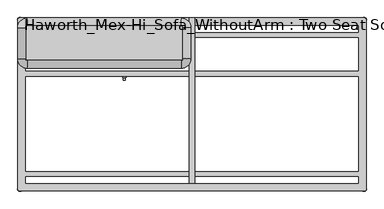
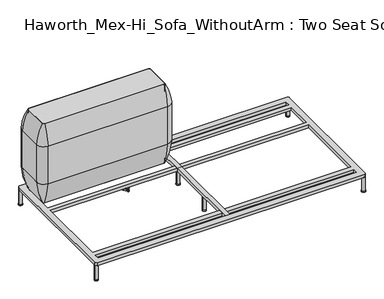
"""IFC4 building model written with IfcOpenShell, lengths in millimetres: furniture geometry, Haworth_Mex-Hi_Sofa_WithoutArm : Two Seat Sofa."""

from ifc_helpers import new_model, si_unit, point, frame, frame_2d, origin, origin_with_axes, place, context, project, spatial, polyline, circle_curve, ellipse_curve, trimmed, segment, composite_curve, outline, extrude, source, transform, mapped, element, save
from ifc_brep_helpers import plane_surface, cylinder_surface, revolved_surface, advanced_brep


def haworth_mex_hi_sofa_withoutarm_two_seat_sofa_6135bf9b(model_context):
    return source(origin(), model_context, "Body", "SolidModel", [
        advanced_brep(
        [(-519.7611937, -130.2721038, 98.611642), (-523.9837819, -137.585841, 98.611642), (-523.585833, -138.7518724, 98.611642), (-507.7665623, -166.1516574, 98.611642), (-506.9557288, -167.0792988, 98.611642), (-498.5105502, -167.0792988, 98.611642), (-497.706022, -165.9895174, 98.611642), (-481.6037689, -138.4877144, 98.611642), (-481.4824919, -137.5858427, 98.611642), (-485.7050818, -130.2721023, 98.611642), (-486.9138653, -130.0337175, 98.611642), (-518.5524137, -130.0337175, 98.611642), (-493.360263, -145.1926245, 98.611642), (-512.2652749, -145.1926245, 98.611642), (-519.7611937, -130.2721038, 88.6531552), (-518.5524137, -130.0337175, 88.6531552), (-486.9138653, -130.0337175, 88.6531552), (-485.7050818, -130.2721023, 88.6531552), (-481.4824919, -137.5858427, 88.6531552), (-481.6037689, -138.4877144, 88.6531552), (-497.706022, -165.9895174, 88.6531552), (-498.5105502, -167.0792988, 88.6531552), (-506.9557288, -167.0792988, 88.6531552), (-507.7665623, -166.1516574, 88.6531552), (-523.585833, -138.7518724, 88.6531552), (-523.9837819, -137.585841, 88.6531552), (-512.2652749, -145.1926245, 103.6569541), (-493.360263, -145.1926245, 103.6569541)],
        [
            (0, 1, circle_curve(frame((-501.5017056, -145.690049, 98.611642), z_axis=(0.0, 0.0, 1.0), x_axis=(1.0, 0.0, 0.0)), 23.8981576)),
            (1, 2, circle_curve(frame((-523.0562233, -137.920202, 98.611642), z_axis=(0.0, 0.0, 1.0), x_axis=(1.0, 0.0, 0.0)), 0.9859828)),
            (2, 3, circle_curve(frame((-541.981203, -167.6389644, 98.611642), z_axis=(0.0, 0.0, -1.0), x_axis=(1.0, 0.0, 0.0)), 34.246952)),
            (3, 4, circle_curve(frame((-506.7815189, -166.1088376, 98.611642), z_axis=(0.0, 0.0, 1.0), x_axis=(1.0, 0.0, 0.0)), 0.9859736)),
            (4, 5, circle_curve(frame((-502.7331395, -143.5567534, 98.611642), z_axis=(0.0, 0.0, 1.0), x_axis=(1.0, 0.0, 0.0)), 23.8985439)),
            (5, 6, circle_curve(frame((-498.6847621, -166.1088262, 98.611642), z_axis=(0.0, 0.0, 1.0), x_axis=(1.0, 0.0, 0.0)), 0.9859852)),
            (6, 7, circle_curve(frame((-463.4843483, -167.5614211, 98.611642), z_axis=(0.0, 0.0, -1.0), x_axis=(1.0, 0.0, 0.0)), 34.2577557)),
            (7, 8, circle_curve(frame((-482.4100533, -137.9202011, 98.611642), z_axis=(0.0, 0.0, 1.0), x_axis=(1.0, 0.0, 0.0)), 0.9859847)),
            (8, 9, circle_curve(frame((-503.9641822, -145.6898258, 98.611642), z_axis=(0.0, 0.0, 1.0), x_axis=(1.0, 0.0, 0.0)), 23.8977184)),
            (9, 10, circle_curve(frame((-486.4584281, -130.9082171, 98.611642), z_axis=(0.0, 0.0, 1.0), x_axis=(1.0, 0.0, 0.0)), 0.9859881)),
            (10, 11, circle_curve(frame((-502.7331395, -99.6586209, 98.611642), z_axis=(0.0, 0.0, -1.0), x_axis=(1.0, 0.0, 0.0)), 34.2475683)),
            (11, 0, circle_curve(frame((-519.0078488, -130.9082131, 98.611642), z_axis=(0.0, 0.0, 1.0), x_axis=(1.0, 0.0, 0.0)), 0.9859835)),
            (12, 13, circle_curve(frame((-502.8127689, -145.1926245, 98.611642), z_axis=(0.0, 0.0, -1.0), x_axis=(1.0, 0.0, 0.0)), 9.452506)),
            (13, 12, circle_curve(frame((-502.8127689, -145.1926245, 98.611642), z_axis=(0.0, 0.0, -1.0), x_axis=(1.0, 0.0, 0.0)), 9.452506)),
            (14, 15, circle_curve(frame((-519.0078488, -130.9082131, 88.6531552), z_axis=(0.0, 0.0, -1.0), x_axis=(1.0, 0.0, 0.0)), 0.9859835)),
            (15, 16, circle_curve(frame((-502.7331395, -99.6586209, 88.6531552), z_axis=(0.0, 0.0, 1.0), x_axis=(1.0, 0.0, 0.0)), 34.2475683)),
            (16, 17, circle_curve(frame((-486.4584281, -130.9082171, 88.6531552), z_axis=(0.0, 0.0, -1.0), x_axis=(1.0, 0.0, 0.0)), 0.9859881)),
            (17, 18, circle_curve(frame((-503.9641822, -145.6898258, 88.6531552), z_axis=(0.0, 0.0, -1.0), x_axis=(1.0, 0.0, 0.0)), 23.8977184)),
            (18, 19, circle_curve(frame((-482.4100533, -137.9202011, 88.6531552), z_axis=(0.0, 0.0, -1.0), x_axis=(1.0, 0.0, 0.0)), 0.9859847)),
            (19, 20, circle_curve(frame((-463.4843483, -167.5614211, 88.6531552), z_axis=(0.0, 0.0, 1.0), x_axis=(1.0, 0.0, 0.0)), 34.2577557)),
            (20, 21, circle_curve(frame((-498.6847621, -166.1088262, 88.6531552), z_axis=(0.0, 0.0, -1.0), x_axis=(1.0, 0.0, 0.0)), 0.9859852)),
            (21, 22, circle_curve(frame((-502.7331395, -143.5567534, 88.6531552), z_axis=(0.0, 0.0, -1.0), x_axis=(1.0, 0.0, 0.0)), 23.8985439)),
            (22, 23, circle_curve(frame((-506.7815189, -166.1088376, 88.6531552), z_axis=(0.0, 0.0, -1.0), x_axis=(1.0, 0.0, 0.0)), 0.9859736)),
            (23, 24, circle_curve(frame((-541.981203, -167.6389644, 88.6531552), z_axis=(0.0, 0.0, 1.0), x_axis=(1.0, 0.0, 0.0)), 34.246952)),
            (24, 25, circle_curve(frame((-523.0562233, -137.920202, 88.6531552), z_axis=(0.0, 0.0, -1.0), x_axis=(1.0, 0.0, 0.0)), 0.9859828)),
            (25, 14, circle_curve(frame((-501.5017056, -145.690049, 88.6531552), z_axis=(0.0, 0.0, -1.0), x_axis=(1.0, 0.0, 0.0)), 23.8981576)),
            (26, 27, circle_curve(frame((-502.8127689, -145.1926245, 103.6569541), z_axis=(0.0, 0.0, 1.0), x_axis=(1.0, 0.0, 0.0)), 9.452506)),
            (27, 26, circle_curve(frame((-502.8127689, -145.1926245, 103.6569541), z_axis=(0.0, 0.0, 1.0), x_axis=(1.0, 0.0, 0.0)), 9.452506)),
            (0, 14),
            (25, 1),
            (24, 2),
            (23, 3),
            (22, 4),
            (21, 5),
            (20, 6),
            (19, 7),
            (18, 8),
            (17, 9),
            (16, 10),
            (15, 11),
            (26, 13),
            (12, 27),
        ],
        [
            plane_surface(frame((-477.603548, -145.690049, 98.611642), z_axis=(0.0, 0.0, 1.0), x_axis=(0.0, 1.0, 0.0))),
            plane_surface(frame((-477.603548, -145.690049, 88.6531552), z_axis=(0.0, 0.0, -1.0), x_axis=(0.0, -1.0, 0.0))),
            plane_surface(frame((-493.360263, -145.1926245, 103.6569541), z_axis=(0.0, 0.0, 1.0), x_axis=(0.0, 1.0, 0.0))),
            cylinder_surface(frame((-501.5017056, -145.690049, 88.6531552), z_axis=(0.0, 0.0, 1.0), x_axis=(1.0, 0.0, 0.0)), 23.8981576),
            cylinder_surface(frame((-523.0562233, -137.920202, 88.6531552), z_axis=(0.0, 0.0, 1.0), x_axis=(1.0, 0.0, 0.0)), 0.9859828),
            revolved_surface(polyline([(-507.73425100000003, -167.6389644, 88.6531552), (-507.73425100000003, -167.6389644, 98.611642)]), (-541.981203, -167.6389644, 88.6531552), (0.0, 0.0, -1.0)),
            cylinder_surface(frame((-506.7815189, -166.1088376, 88.6531552), z_axis=(0.0, 0.0, 1.0), x_axis=(1.0, 0.0, 0.0)), 0.9859736),
            cylinder_surface(frame((-502.7331395, -143.5567534, 88.6531552), z_axis=(0.0, 0.0, 1.0), x_axis=(1.0, 0.0, 0.0)), 23.8985439),
            cylinder_surface(frame((-498.6847621, -166.1088262, 88.6531552), z_axis=(0.0, 0.0, 1.0), x_axis=(1.0, 0.0, 0.0)), 0.9859852),
            revolved_surface(polyline([(-429.2265926, -167.5614211, 88.6531552), (-429.2265926, -167.5614211, 98.611642)]), (-463.4843483, -167.5614211, 88.6531552), (0.0, 0.0, -1.0)),
            cylinder_surface(frame((-482.4100533, -137.9202011, 88.6531552), z_axis=(0.0, 0.0, 1.0), x_axis=(1.0, 0.0, 0.0)), 0.9859847),
            cylinder_surface(frame((-503.9641822, -145.6898258, 88.6531552), z_axis=(0.0, 0.0, 1.0), x_axis=(1.0, 0.0, 0.0)), 23.8977184),
            cylinder_surface(frame((-486.4584281, -130.9082171, 88.6531552), z_axis=(0.0, 0.0, 1.0), x_axis=(1.0, 0.0, 0.0)), 0.9859881),
            revolved_surface(polyline([(-468.4855712, -99.6586209, 88.6531552), (-468.4855712, -99.6586209, 98.611642)]), (-502.7331395, -99.6586209, 88.6531552), (0.0, 0.0, -1.0)),
            cylinder_surface(frame((-519.0078488, -130.9082131, 88.6531552), z_axis=(0.0, 0.0, 1.0), x_axis=(1.0, 0.0, 0.0)), 0.9859835),
            cylinder_surface(frame((-502.8127689, -145.1926245, 98.611642), z_axis=(0.0, 0.0, 1.0), x_axis=(1.0, 0.0, 0.0)), 9.452506),
        ],
        [
            (0, [[1, 2, 3, 4, 5, 6, 7, 8, 9, 10, 11, 12], [13, 14]]),
            (1, [[15, 16, 17, 18, 19, 20, 21, 22, 23, 24, 25, 26]]),
            (2, [[27, 28]]),
            (3, [[-1, 29, -26, 30]]),
            (4, [[-2, -30, -25, 31]]),
            (5, [[-3, -31, -24, 32]]),
            (6, [[-4, -32, -23, 33]]),
            (7, [[-5, -33, -22, 34]]),
            (8, [[-6, -34, -21, 35]]),
            (9, [[-7, -35, -20, 36]]),
            (10, [[-8, -36, -19, 37]]),
            (11, [[-9, -37, -18, 38]]),
            (12, [[-10, -38, -17, 39]]),
            (13, [[-11, -39, -16, 40]]),
            (14, [[-12, -40, -15, -29]]),
            (15, [[-27, 41, -13, 42]]),
            (15, [[-28, -42, -14, -41]]),
        ],
    ),
        advanced_brep(
        [(-519.7611937, 69.7278978, 98.611642), (-523.9837819, 62.4141605, 98.611642), (-523.585833, 61.2481292, 98.611642), (-507.7665623, 33.8483441, 98.611642), (-506.9557288, 32.9207027, 98.611642), (-498.5105502, 32.9207027, 98.611642), (-497.706022, 34.0104841, 98.611642), (-481.6037689, 61.5122871, 98.611642), (-481.4824919, 62.4141588, 98.611642), (-485.7050818, 69.7278992, 98.611642), (-486.9138653, 69.966284, 98.611642), (-518.5524137, 69.966284, 98.611642), (-493.360263, 54.807377, 98.611642), (-512.2652749, 54.807377, 98.611642), (-519.7611937, 69.7278978, 88.6531552), (-518.5524137, 69.966284, 88.6531552), (-486.9138653, 69.966284, 88.6531552), (-485.7050818, 69.7278992, 88.6531552), (-481.4824919, 62.4141588, 88.6531552), (-481.6037689, 61.5122871, 88.6531552), (-497.706022, 34.0104841, 88.6531552), (-498.5105502, 32.9207027, 88.6531552), (-506.9557288, 32.9207027, 88.6531552), (-507.7665623, 33.8483441, 88.6531552), (-523.585833, 61.2481292, 88.6531552), (-523.9837819, 62.4141605, 88.6531552), (-512.2652749, 54.807377, 103.6569541), (-493.360263, 54.807377, 103.6569541)],
        [
            (0, 1, circle_curve(frame((-501.5017056, 54.3099526, 98.611642), z_axis=(0.0, 0.0, 1.0), x_axis=(1.0, 0.0, 0.0)), 23.8981576)),
            (1, 2, circle_curve(frame((-523.0562233, 62.0797996, 98.611642), z_axis=(0.0, 0.0, 1.0), x_axis=(1.0, 0.0, 0.0)), 0.9859828)),
            (2, 3, circle_curve(frame((-541.981203, 32.3610372, 98.611642), z_axis=(0.0, 0.0, -1.0), x_axis=(1.0, 0.0, 0.0)), 34.246952)),
            (3, 4, circle_curve(frame((-506.7815189, 33.8911639, 98.611642), z_axis=(0.0, 0.0, 1.0), x_axis=(1.0, 0.0, 0.0)), 0.9859736)),
            (4, 5, circle_curve(frame((-502.7331395, 56.4432481, 98.611642), z_axis=(0.0, 0.0, 1.0), x_axis=(1.0, 0.0, 0.0)), 23.8985439)),
            (5, 6, circle_curve(frame((-498.6847621, 33.8911753, 98.611642), z_axis=(0.0, 0.0, 1.0), x_axis=(1.0, 0.0, 0.0)), 0.9859852)),
            (6, 7, circle_curve(frame((-463.4843483, 32.4385804, 98.611642), z_axis=(0.0, 0.0, -1.0), x_axis=(1.0, 0.0, 0.0)), 34.2577557)),
            (7, 8, circle_curve(frame((-482.4100533, 62.0798004, 98.611642), z_axis=(0.0, 0.0, 1.0), x_axis=(1.0, 0.0, 0.0)), 0.9859847)),
            (8, 9, circle_curve(frame((-503.9641822, 54.3101757, 98.611642), z_axis=(0.0, 0.0, 1.0), x_axis=(1.0, 0.0, 0.0)), 23.8977184)),
            (9, 10, circle_curve(frame((-486.4584281, 69.0917844, 98.611642), z_axis=(0.0, 0.0, 1.0), x_axis=(1.0, 0.0, 0.0)), 0.9859881)),
            (10, 11, circle_curve(frame((-502.7331395, 100.3413806, 98.611642), z_axis=(0.0, 0.0, -1.0), x_axis=(1.0, 0.0, 0.0)), 34.2475683)),
            (11, 0, circle_curve(frame((-519.0078488, 69.0917885, 98.611642), z_axis=(0.0, 0.0, 1.0), x_axis=(1.0, 0.0, 0.0)), 0.9859835)),
            (12, 13, circle_curve(frame((-502.8127689, 54.807377, 98.611642), z_axis=(0.0, 0.0, -1.0), x_axis=(1.0, 0.0, 0.0)), 9.452506)),
            (13, 12, circle_curve(frame((-502.8127689, 54.807377, 98.611642), z_axis=(0.0, 0.0, -1.0), x_axis=(1.0, 0.0, 0.0)), 9.452506)),
            (14, 15, circle_curve(frame((-519.0078488, 69.0917885, 88.6531552), z_axis=(0.0, 0.0, -1.0), x_axis=(1.0, 0.0, 0.0)), 0.9859835)),
            (15, 16, circle_curve(frame((-502.7331395, 100.3413806, 88.6531552), z_axis=(0.0, 0.0, 1.0), x_axis=(1.0, 0.0, 0.0)), 34.2475683)),
            (16, 17, circle_curve(frame((-486.4584281, 69.0917844, 88.6531552), z_axis=(0.0, 0.0, -1.0), x_axis=(1.0, 0.0, 0.0)), 0.9859881)),
            (17, 18, circle_curve(frame((-503.9641822, 54.3101757, 88.6531552), z_axis=(0.0, 0.0, -1.0), x_axis=(1.0, 0.0, 0.0)), 23.8977184)),
            (18, 19, circle_curve(frame((-482.4100533, 62.0798004, 88.6531552), z_axis=(0.0, 0.0, -1.0), x_axis=(1.0, 0.0, 0.0)), 0.9859847)),
            (19, 20, circle_curve(frame((-463.4843483, 32.4385804, 88.6531552), z_axis=(0.0, 0.0, 1.0), x_axis=(1.0, 0.0, 0.0)), 34.2577557)),
            (20, 21, circle_curve(frame((-498.6847621, 33.8911753, 88.6531552), z_axis=(0.0, 0.0, -1.0), x_axis=(1.0, 0.0, 0.0)), 0.9859852)),
            (21, 22, circle_curve(frame((-502.7331395, 56.4432481, 88.6531552), z_axis=(0.0, 0.0, -1.0), x_axis=(1.0, 0.0, 0.0)), 23.8985439)),
            (22, 23, circle_curve(frame((-506.7815189, 33.8911639, 88.6531552), z_axis=(0.0, 0.0, -1.0), x_axis=(1.0, 0.0, 0.0)), 0.9859736)),
            (23, 24, circle_curve(frame((-541.981203, 32.3610372, 88.6531552), z_axis=(0.0, 0.0, 1.0), x_axis=(1.0, 0.0, 0.0)), 34.246952)),
            (24, 25, circle_curve(frame((-523.0562233, 62.0797996, 88.6531552), z_axis=(0.0, 0.0, -1.0), x_axis=(1.0, 0.0, 0.0)), 0.9859828)),
            (25, 14, circle_curve(frame((-501.5017056, 54.3099526, 88.6531552), z_axis=(0.0, 0.0, -1.0), x_axis=(1.0, 0.0, 0.0)), 23.8981576)),
            (26, 27, circle_curve(frame((-502.8127689, 54.807377, 103.6569541), z_axis=(0.0, 0.0, 1.0), x_axis=(1.0, 0.0, 0.0)), 9.452506)),
            (27, 26, circle_curve(frame((-502.8127689, 54.807377, 103.6569541), z_axis=(0.0, 0.0, 1.0), x_axis=(1.0, 0.0, 0.0)), 9.452506)),
            (0, 14),
            (25, 1),
            (24, 2),
            (23, 3),
            (22, 4),
            (21, 5),
            (20, 6),
            (19, 7),
            (18, 8),
            (17, 9),
            (16, 10),
            (15, 11),
            (26, 13),
            (12, 27),
        ],
        [
            plane_surface(frame((-477.603548, 54.3099526, 98.611642), z_axis=(0.0, 0.0, 1.0), x_axis=(0.0, 1.0, 0.0))),
            plane_surface(frame((-477.603548, 54.3099526, 88.6531552), z_axis=(0.0, 0.0, -1.0), x_axis=(0.0, -1.0, 0.0))),
            plane_surface(frame((-493.360263, 54.807377, 103.6569541), z_axis=(0.0, 0.0, 1.0), x_axis=(0.0, 1.0, 0.0))),
            cylinder_surface(frame((-501.5017056, 54.3099526, 88.6531552), z_axis=(0.0, 0.0, 1.0), x_axis=(1.0, 0.0, 0.0)), 23.8981576),
            cylinder_surface(frame((-523.0562233, 62.0797996, 88.6531552), z_axis=(0.0, 0.0, 1.0), x_axis=(1.0, 0.0, 0.0)), 0.9859828),
            revolved_surface(polyline([(-507.73425100000003, 32.3610372, 88.6531552), (-507.73425100000003, 32.3610372, 98.611642)]), (-541.981203, 32.3610372, 88.6531552), (0.0, 0.0, -1.0)),
            cylinder_surface(frame((-506.7815189, 33.8911639, 88.6531552), z_axis=(0.0, 0.0, 1.0), x_axis=(1.0, 0.0, 0.0)), 0.9859736),
            cylinder_surface(frame((-502.7331395, 56.4432481, 88.6531552), z_axis=(0.0, 0.0, 1.0), x_axis=(1.0, 0.0, 0.0)), 23.8985439),
            cylinder_surface(frame((-498.6847621, 33.8911753, 88.6531552), z_axis=(0.0, 0.0, 1.0), x_axis=(1.0, 0.0, 0.0)), 0.9859852),
            revolved_surface(polyline([(-429.2265926, 32.4385804, 88.6531552), (-429.2265926, 32.4385804, 98.611642)]), (-463.4843483, 32.4385804, 88.6531552), (0.0, 0.0, -1.0)),
            cylinder_surface(frame((-482.4100533, 62.0798004, 88.6531552), z_axis=(0.0, 0.0, 1.0), x_axis=(1.0, 0.0, 0.0)), 0.9859847),
            cylinder_surface(frame((-503.9641822, 54.3101757, 88.6531552), z_axis=(0.0, 0.0, 1.0), x_axis=(1.0, 0.0, 0.0)), 23.8977184),
            cylinder_surface(frame((-486.4584281, 69.0917844, 88.6531552), z_axis=(0.0, 0.0, 1.0), x_axis=(1.0, 0.0, 0.0)), 0.9859881),
            revolved_surface(polyline([(-468.4855712, 100.3413806, 88.6531552), (-468.4855712, 100.3413806, 98.611642)]), (-502.7331395, 100.3413806, 88.6531552), (0.0, 0.0, -1.0)),
            cylinder_surface(frame((-519.0078488, 69.0917885, 88.6531552), z_axis=(0.0, 0.0, 1.0), x_axis=(1.0, 0.0, 0.0)), 0.9859835),
            cylinder_surface(frame((-502.8127689, 54.807377, 98.611642), z_axis=(0.0, 0.0, 1.0), x_axis=(1.0, 0.0, 0.0)), 9.452506),
        ],
        [
            (0, [[1, 2, 3, 4, 5, 6, 7, 8, 9, 10, 11, 12], [13, 14]]),
            (1, [[15, 16, 17, 18, 19, 20, 21, 22, 23, 24, 25, 26]]),
            (2, [[27, 28]]),
            (3, [[-1, 29, -26, 30]]),
            (4, [[-2, -30, -25, 31]]),
            (5, [[-3, -31, -24, 32]]),
            (6, [[-4, -32, -23, 33]]),
            (7, [[-5, -33, -22, 34]]),
            (8, [[-6, -34, -21, 35]]),
            (9, [[-7, -35, -20, 36]]),
            (10, [[-8, -36, -19, 37]]),
            (11, [[-9, -37, -18, 38]]),
            (12, [[-10, -38, -17, 39]]),
            (13, [[-11, -39, -16, 40]]),
            (14, [[-12, -40, -15, -29]]),
            (15, [[-27, 41, -13, 42]]),
            (15, [[-28, -42, -14, -41]]),
        ],
    ),
        advanced_brep(
        [(-708.6567178, 69.7278978, 98.611642), (-712.879306, 62.4141605, 98.611642), (-712.4813572, 61.2481292, 98.611642), (-696.6620864, 33.8483441, 98.611642), (-695.8512529, 32.9207027, 98.611642), (-687.4060744, 32.9207027, 98.611642), (-686.6015461, 34.0104841, 98.611642), (-670.4992931, 61.5122871, 98.611642), (-670.378016, 62.4141588, 98.611642), (-674.600606, 69.7278992, 98.611642), (-675.8093894, 69.966284, 98.611642), (-707.4479379, 69.966284, 98.611642), (-682.2557871, 54.807377, 98.611642), (-701.160799, 54.807377, 98.611642), (-708.6567178, 69.7278978, 88.6531552), (-707.4479379, 69.966284, 88.6531552), (-675.8093894, 69.966284, 88.6531552), (-674.600606, 69.7278992, 88.6531552), (-670.378016, 62.4141588, 88.6531552), (-670.4992931, 61.5122871, 88.6531552), (-686.6015461, 34.0104841, 88.6531552), (-687.4060744, 32.9207027, 88.6531552), (-695.8512529, 32.9207027, 88.6531552), (-696.6620864, 33.8483441, 88.6531552), (-712.4813572, 61.2481292, 88.6531552), (-712.879306, 62.4141605, 88.6531552), (-701.160799, 54.807377, 103.6569541), (-682.2557871, 54.807377, 103.6569541)],
        [
            (0, 1, circle_curve(frame((-690.3972298, 54.3099526, 98.611642), z_axis=(0.0, 0.0, 1.0), x_axis=(1.0, 0.0, 0.0)), 23.8981576)),
            (1, 2, circle_curve(frame((-711.9517474, 62.0797996, 98.611642), z_axis=(0.0, 0.0, 1.0), x_axis=(1.0, 0.0, 0.0)), 0.9859828)),
            (2, 3, circle_curve(frame((-730.8767271, 32.3610372, 98.611642), z_axis=(0.0, 0.0, -1.0), x_axis=(1.0, 0.0, 0.0)), 34.246952)),
            (3, 4, circle_curve(frame((-695.6770431, 33.8911639, 98.611642), z_axis=(0.0, 0.0, 1.0), x_axis=(1.0, 0.0, 0.0)), 0.9859736)),
            (4, 5, circle_curve(frame((-691.6286636, 56.4432481, 98.611642), z_axis=(0.0, 0.0, 1.0), x_axis=(1.0, 0.0, 0.0)), 23.8985439)),
            (5, 6, circle_curve(frame((-687.5802862, 33.8911753, 98.611642), z_axis=(0.0, 0.0, 1.0), x_axis=(1.0, 0.0, 0.0)), 0.9859852)),
            (6, 7, circle_curve(frame((-652.3798725, 32.4385804, 98.611642), z_axis=(0.0, 0.0, -1.0), x_axis=(1.0, 0.0, 0.0)), 34.2577557)),
            (7, 8, circle_curve(frame((-671.3055775, 62.0798004, 98.611642), z_axis=(0.0, 0.0, 1.0), x_axis=(1.0, 0.0, 0.0)), 0.9859847)),
            (8, 9, circle_curve(frame((-692.8597064, 54.3101757, 98.611642), z_axis=(0.0, 0.0, 1.0), x_axis=(1.0, 0.0, 0.0)), 23.8977184)),
            (9, 10, circle_curve(frame((-675.3539522, 69.0917844, 98.611642), z_axis=(0.0, 0.0, 1.0), x_axis=(1.0, 0.0, 0.0)), 0.9859881)),
            (10, 11, circle_curve(frame((-691.6286636, 100.3413806, 98.611642), z_axis=(0.0, 0.0, -1.0), x_axis=(1.0, 0.0, 0.0)), 34.2475683)),
            (11, 0, circle_curve(frame((-707.9033729, 69.0917885, 98.611642), z_axis=(0.0, 0.0, 1.0), x_axis=(1.0, 0.0, 0.0)), 0.9859835)),
            (12, 13, circle_curve(frame((-691.7082931, 54.807377, 98.611642), z_axis=(0.0, 0.0, -1.0), x_axis=(1.0, 0.0, 0.0)), 9.452506)),
            (13, 12, circle_curve(frame((-691.7082931, 54.807377, 98.611642), z_axis=(0.0, 0.0, -1.0), x_axis=(1.0, 0.0, 0.0)), 9.452506)),
            (14, 15, circle_curve(frame((-707.9033729, 69.0917885, 88.6531552), z_axis=(0.0, 0.0, -1.0), x_axis=(1.0, 0.0, 0.0)), 0.9859835)),
            (15, 16, circle_curve(frame((-691.6286636, 100.3413806, 88.6531552), z_axis=(0.0, 0.0, 1.0), x_axis=(1.0, 0.0, 0.0)), 34.2475683)),
            (16, 17, circle_curve(frame((-675.3539522, 69.0917844, 88.6531552), z_axis=(0.0, 0.0, -1.0), x_axis=(1.0, 0.0, 0.0)), 0.9859881)),
            (17, 18, circle_curve(frame((-692.8597064, 54.3101757, 88.6531552), z_axis=(0.0, 0.0, -1.0), x_axis=(1.0, 0.0, 0.0)), 23.8977184)),
            (18, 19, circle_curve(frame((-671.3055775, 62.0798004, 88.6531552), z_axis=(0.0, 0.0, -1.0), x_axis=(1.0, 0.0, 0.0)), 0.9859847)),
            (19, 20, circle_curve(frame((-652.3798725, 32.4385804, 88.6531552), z_axis=(0.0, 0.0, 1.0), x_axis=(1.0, 0.0, 0.0)), 34.2577557)),
            (20, 21, circle_curve(frame((-687.5802862, 33.8911753, 88.6531552), z_axis=(0.0, 0.0, -1.0), x_axis=(1.0, 0.0, 0.0)), 0.9859852)),
            (21, 22, circle_curve(frame((-691.6286636, 56.4432481, 88.6531552), z_axis=(0.0, 0.0, -1.0), x_axis=(1.0, 0.0, 0.0)), 23.8985439)),
            (22, 23, circle_curve(frame((-695.6770431, 33.8911639, 88.6531552), z_axis=(0.0, 0.0, -1.0), x_axis=(1.0, 0.0, 0.0)), 0.9859736)),
            (23, 24, circle_curve(frame((-730.8767271, 32.3610372, 88.6531552), z_axis=(0.0, 0.0, 1.0), x_axis=(1.0, 0.0, 0.0)), 34.246952)),
            (24, 25, circle_curve(frame((-711.9517474, 62.0797996, 88.6531552), z_axis=(0.0, 0.0, -1.0), x_axis=(1.0, 0.0, 0.0)), 0.9859828)),
            (25, 14, circle_curve(frame((-690.3972298, 54.3099526, 88.6531552), z_axis=(0.0, 0.0, -1.0), x_axis=(1.0, 0.0, 0.0)), 23.8981576)),
            (26, 27, circle_curve(frame((-691.7082931, 54.807377, 103.6569541), z_axis=(0.0, 0.0, 1.0), x_axis=(1.0, 0.0, 0.0)), 9.452506)),
            (27, 26, circle_curve(frame((-691.7082931, 54.807377, 103.6569541), z_axis=(0.0, 0.0, 1.0), x_axis=(1.0, 0.0, 0.0)), 9.452506)),
            (0, 14),
            (25, 1),
            (24, 2),
            (23, 3),
            (22, 4),
            (21, 5),
            (20, 6),
            (19, 7),
            (18, 8),
            (17, 9),
            (16, 10),
            (15, 11),
            (26, 13),
            (12, 27),
        ],
        [
            plane_surface(frame((-666.4990722, 54.3099526, 98.611642), z_axis=(0.0, 0.0, 1.0), x_axis=(0.0, 1.0, 0.0))),
            plane_surface(frame((-666.4990722, 54.3099526, 88.6531552), z_axis=(0.0, 0.0, -1.0), x_axis=(0.0, -1.0, 0.0))),
            plane_surface(frame((-682.2557871, 54.807377, 103.6569541), z_axis=(0.0, 0.0, 1.0), x_axis=(0.0, 1.0, 0.0))),
            cylinder_surface(frame((-690.3972298, 54.3099526, 88.6531552), z_axis=(0.0, 0.0, 1.0), x_axis=(1.0, 0.0, 0.0)), 23.8981576),
            cylinder_surface(frame((-711.9517474, 62.0797996, 88.6531552), z_axis=(0.0, 0.0, 1.0), x_axis=(1.0, 0.0, 0.0)), 0.9859828),
            revolved_surface(polyline([(-696.6297751000001, 32.3610372, 88.6531552), (-696.6297751000001, 32.3610372, 98.611642)]), (-730.8767271, 32.3610372, 88.6531552), (0.0, 0.0, -1.0)),
            cylinder_surface(frame((-695.6770431, 33.8911639, 88.6531552), z_axis=(0.0, 0.0, 1.0), x_axis=(1.0, 0.0, 0.0)), 0.9859736),
            cylinder_surface(frame((-691.6286636, 56.4432481, 88.6531552), z_axis=(0.0, 0.0, 1.0), x_axis=(1.0, 0.0, 0.0)), 23.8985439),
            cylinder_surface(frame((-687.5802862, 33.8911753, 88.6531552), z_axis=(0.0, 0.0, 1.0), x_axis=(1.0, 0.0, 0.0)), 0.9859852),
            revolved_surface(polyline([(-618.1221168000001, 32.4385804, 88.6531552), (-618.1221168000001, 32.4385804, 98.611642)]), (-652.3798725, 32.4385804, 88.6531552), (0.0, 0.0, -1.0)),
            cylinder_surface(frame((-671.3055775, 62.0798004, 88.6531552), z_axis=(0.0, 0.0, 1.0), x_axis=(1.0, 0.0, 0.0)), 0.9859847),
            cylinder_surface(frame((-692.8597064, 54.3101757, 88.6531552), z_axis=(0.0, 0.0, 1.0), x_axis=(1.0, 0.0, 0.0)), 23.8977184),
            cylinder_surface(frame((-675.3539522, 69.0917844, 88.6531552), z_axis=(0.0, 0.0, 1.0), x_axis=(1.0, 0.0, 0.0)), 0.9859881),
            revolved_surface(polyline([(-657.3810953, 100.3413806, 88.6531552), (-657.3810953, 100.3413806, 98.611642)]), (-691.6286636, 100.3413806, 88.6531552), (0.0, 0.0, -1.0)),
            cylinder_surface(frame((-707.9033729, 69.0917885, 88.6531552), z_axis=(0.0, 0.0, 1.0), x_axis=(1.0, 0.0, 0.0)), 0.9859835),
            cylinder_surface(frame((-691.7082931, 54.807377, 98.611642), z_axis=(0.0, 0.0, 1.0), x_axis=(1.0, 0.0, 0.0)), 9.452506),
        ],
        [
            (0, [[1, 2, 3, 4, 5, 6, 7, 8, 9, 10, 11, 12], [13, 14]]),
            (1, [[15, 16, 17, 18, 19, 20, 21, 22, 23, 24, 25, 26]]),
            (2, [[27, 28]]),
            (3, [[-1, 29, -26, 30]]),
            (4, [[-2, -30, -25, 31]]),
            (5, [[-3, -31, -24, 32]]),
            (6, [[-4, -32, -23, 33]]),
            (7, [[-5, -33, -22, 34]]),
            (8, [[-6, -34, -21, 35]]),
            (9, [[-7, -35, -20, 36]]),
            (10, [[-8, -36, -19, 37]]),
            (11, [[-9, -37, -18, 38]]),
            (12, [[-10, -38, -17, 39]]),
            (13, [[-11, -39, -16, 40]]),
            (14, [[-12, -40, -15, -29]]),
            (15, [[-27, 41, -13, 42]]),
            (15, [[-28, -42, -14, -41]]),
        ],
    ),
        extrude(outline(composite_curve([segment(trimmed(circle_curve(frame_2d((-155.4452882, -433.7002937)), 10.4664203), [point((-165.9117085, -433.7002937))], [point((-144.9788678, -433.7002937))], False, "CARTESIAN"), True, "CONTINUOUS"), segment(trimmed(circle_curve(frame_2d((-155.4452882, -433.7002937)), 10.4664203), [point((-144.9788678, -433.7002937))], [point((-165.9117085, -433.7002937))], False, "CARTESIAN"), True, "CONTINUOUS")], self_intersect=False)), origin_with_axes(), (0.0, 0.0, 1.0), 103.6569541),
        extrude(outline(composite_curve([segment(trimmed(circle_curve(frame_2d((-155.4452882, -133.6667163)), 10.4664203), [point((-165.9117085, -133.6667163))], [point((-144.9788678, -133.6667163))], False, "CARTESIAN"), True, "CONTINUOUS"), segment(trimmed(circle_curve(frame_2d((-155.4452882, -133.6667163)), 10.4664203), [point((-144.9788678, -133.6667163))], [point((-165.9117085, -133.6667163))], False, "CARTESIAN"), True, "CONTINUOUS")], self_intersect=False)), origin_with_axes(), (0.0, 0.0, 1.0), 103.6569541),
        extrude(outline(composite_curve([segment(trimmed(circle_curve(frame_2d((-155.4452882, -433.7002937)), 12.5000005), [point((-167.9452886, -433.7002937))], [point((-142.9452877, -433.7002937))], False, "CARTESIAN"), True, "CONTINUOUS"), segment(trimmed(circle_curve(frame_2d((-155.4452882, -433.7002937)), 12.5000005), [point((-142.9452877, -433.7002937))], [point((-167.9452886, -433.7002937))], False, "CARTESIAN"), True, "CONTINUOUS")], self_intersect=False)), origin_with_axes(), (0.0, 0.0, 1.0), 6.0),
        extrude(outline(composite_curve([segment(trimmed(circle_curve(frame_2d((-155.4452882, -133.6667163)), 12.5000005), [point((-167.9452886, -133.6667163))], [point((-142.9452877, -133.6667163))], False, "CARTESIAN"), True, "CONTINUOUS"), segment(trimmed(circle_curve(frame_2d((-155.4452882, -133.6667163)), 12.5000005), [point((-142.9452877, -133.6667163))], [point((-167.9452886, -133.6667163))], False, "CARTESIAN"), True, "CONTINUOUS")], self_intersect=False)), origin_with_axes(), (0.0, 0.0, 1.0), 6.0),
        extrude(outline(polyline([(-169.7406049, -696.2002953), (-169.7406049, 153.6358637), (-139.7406192, 153.6358637), (-139.7406192, -696.2002953), (-169.7406049, -696.2002953)])), frame((0.0, 0.0, 103.6569541), z_axis=(0.0, 0.0, 1.0), x_axis=(1.0, 0.0, 0.0)), (0.0, 0.0, 1.0), 20.3430443),
        extrude(outline(composite_curve([segment(trimmed(circle_curve(frame_2d((-1040.100311, 143.787786)), 12.5000005), [point((-1052.6003115, 143.787786))], [point((-1027.6003105, 143.787786))], False, "CARTESIAN"), True, "CONTINUOUS"), segment(trimmed(circle_curve(frame_2d((-1040.100311, 143.787786)), 12.5000005), [point((-1027.6003105, 143.787786))], [point((-1052.6003115, 143.787786))], False, "CARTESIAN"), True, "CONTINUOUS")], self_intersect=False)), origin_with_axes(), (0.0, 0.0, 1.0), 6.0),
        extrude(outline(composite_curve([segment(trimmed(circle_curve(frame_2d((-1040.100311, -726.2491859)), 12.5000005), [point((-1052.6003115, -726.2491859))], [point((-1027.6003105, -726.2491859))], False, "CARTESIAN"), True, "CONTINUOUS"), segment(trimmed(circle_curve(frame_2d((-1040.100311, -726.2491859)), 12.5000005), [point((-1027.6003105, -726.2491859))], [point((-1052.6003115, -726.2491859))], False, "CARTESIAN"), True, "CONTINUOUS")], self_intersect=False)), origin_with_axes(), (0.0, 0.0, 1.0), 6.0),
        extrude(outline(composite_curve([segment(trimmed(circle_curve(frame_2d((730.7972347, 143.787786)), 12.5000005), [point((718.2972342, 143.787786))], [point((743.2972352, 143.787786))], False, "CARTESIAN"), True, "CONTINUOUS"), segment(trimmed(circle_curve(frame_2d((730.7972347, 143.787786)), 12.5000005), [point((743.2972352, 143.787786))], [point((718.2972342, 143.787786))], False, "CARTESIAN"), True, "CONTINUOUS")], self_intersect=False)), origin_with_axes(), (0.0, 0.0, 1.0), 6.0),
        extrude(outline(composite_curve([segment(trimmed(circle_curve(frame_2d((730.7026028, -726.2033172)), 12.5000005), [point((718.2026024, -726.2033172))], [point((743.2026033, -726.2033172))], False, "CARTESIAN"), True, "CONTINUOUS"), segment(trimmed(circle_curve(frame_2d((730.7026028, -726.2033172)), 12.5000005), [point((743.2026033, -726.2033172))], [point((718.2026024, -726.2033172))], False, "CARTESIAN"), True, "CONTINUOUS")], self_intersect=False)), origin_with_axes(), (0.0, 0.0, 1.0), 6.0),
        extrude(outline(composite_curve([segment(trimmed(circle_curve(frame_2d((-1040.100311, 143.787786)), 10.4664203), [point((-1050.5667314, 143.787786))], [point((-1029.6338907, 143.787786))], False, "CARTESIAN"), True, "CONTINUOUS"), segment(trimmed(circle_curve(frame_2d((-1040.100311, 143.787786)), 10.4664203), [point((-1029.6338907, 143.787786))], [point((-1050.5667314, 143.787786))], False, "CARTESIAN"), True, "CONTINUOUS")], self_intersect=False)), origin_with_axes(), (0.0, 0.0, 1.0), 103.6569541),
        extrude(outline(composite_curve([segment(trimmed(circle_curve(frame_2d((730.7717227, -726.1628448)), 10.4664203), [point((720.3053024, -726.1628448))], [point((741.2381431, -726.1628448))], False, "CARTESIAN"), True, "CONTINUOUS"), segment(trimmed(circle_curve(frame_2d((730.7717227, -726.1628448)), 10.4664203), [point((741.2381431, -726.1628448))], [point((720.3053024, -726.1628448))], False, "CARTESIAN"), True, "CONTINUOUS")], self_intersect=False)), origin_with_axes(), (0.0, 0.0, 1.0), 103.6569541),
        extrude(outline(composite_curve([segment(trimmed(circle_curve(frame_2d((730.8502147, 143.7799368)), 10.4664203), [point((720.3837944, 143.7799368))], [point((741.316635, 143.7799368))], False, "CARTESIAN"), True, "CONTINUOUS"), segment(trimmed(circle_curve(frame_2d((730.8502147, 143.7799368)), 10.4664203), [point((741.316635, 143.7799368))], [point((720.3837944, 143.7799368))], False, "CARTESIAN"), True, "CONTINUOUS")], self_intersect=False)), origin_with_axes(), (0.0, 0.0, 1.0), 103.6569541),
        extrude(outline(composite_curve([segment(trimmed(circle_curve(frame_2d((-1040.0289857, -726.0945909)), 10.4664203), [point((-1050.4954061, -726.0945909))], [point((-1029.5625654, -726.0945909))], False, "CARTESIAN"), True, "CONTINUOUS"), segment(trimmed(circle_curve(frame_2d((-1040.0289857, -726.0945909)), 10.4664203), [point((-1029.5625654, -726.0945909))], [point((-1050.4954061, -726.0945909))], False, "CARTESIAN"), True, "CONTINUOUS")], self_intersect=False)), origin_with_axes(), (0.0, 0.0, 1.0), 103.6569541),
        extrude(outline(composite_curve([segment(polyline([(-1040.5463796, 153.6358637), (731.0651554, 153.6358637)]), True, "CONTINUOUS"), segment(trimmed(circle_curve(frame_2d((731.0651554, 144.0819322)), 9.5539314), [point((731.0651554, 153.6358637))], [point((740.6190868, 144.0819322))], False, "CARTESIAN"), True, "CONTINUOUS"), segment(polyline([(740.6190868, 144.0819322), (740.6190868, -728.9954927)]), True, "CONTINUOUS"), segment(trimmed(circle_curve(frame_2d((733.4261728, -728.9954927)), 7.192914), [point((740.6190868, -728.9954927))], [point((733.4261728, -736.1884068))], False, "CARTESIAN"), True, "CONTINUOUS"), segment(polyline([(733.4261728, -736.1884068), (-1040.2975349, -736.1884068)]), True, "CONTINUOUS"), segment(trimmed(circle_curve(frame_2d((-1040.2975349, -726.3856306)), 9.8027761), [point((-1040.2975349, -736.1884068))], [point((-1050.100311, -726.3856306))], False, "CARTESIAN"), True, "CONTINUOUS"), segment(polyline([(-1050.100311, -726.3856306), (-1050.100311, 144.0819322)]), True, "CONTINUOUS"), segment(trimmed(circle_curve(frame_2d((-1040.5463796, 144.0819322)), 9.5539314), [point((-1050.100311, 144.0819322))], [point((-1040.5463796, 153.6358637))], False, "CARTESIAN"), True, "CONTINUOUS")], self_intersect=False), holes=[polyline([(-1010.1122296, -663.7579623), (-1010.1122296, -696.2002953), (700.7208076, -696.2002953), (700.7208076, -663.7579623), (-1010.1122296, -663.7579623)]), polyline([(-1010.1122296, 113.7997046), (-1010.1122296, 81.2997034), (700.7208076, 81.2997034), (700.7208076, 113.7997046), (-1010.1122296, 113.7997046)]), polyline([(-1010.1122296, -148.700302), (-1010.1122296, -633.7579584), (700.7208076, -633.7579584), (700.7208076, -148.700302), (-1010.1122296, -148.700302)]), polyline([(700.7208076, 51.2996995), (-1010.1122296, 51.2996995), (-1010.1122296, -118.7002981), (700.7208076, -118.7002981), (700.7208076, 51.2996995)])]), frame((0.0, 0.0, 103.6569541), z_axis=(0.0, 0.0, 1.0), x_axis=(1.0, 0.0, 0.0)), (0.0, 0.0, 1.0), 20.3430443),
        advanced_brep(
        [(-1051.4768538, 103.5149266, 283.1115097), (-1051.4768538, -55.2078555, 283.1115097), (-1051.4768538, -55.2078555, 543.4615097), (-1051.4768538, 103.5149266, 543.4615097), (-1010.7505465, 103.5149266, 123.9999984), (-1010.7505465, -55.2078555, 123.9999984), (-1010.7505465, 103.5149266, 676.7599216), (-1010.7505465, -55.2078555, 676.7599216), (-1000.9254713, -105.759238, 283.1115097), (-211.1988444, -105.759238, 283.1115097), (-211.1988444, -105.759238, 543.4615097), (-1000.9254713, -105.759238, 543.4615097), (-1000.9254713, -65.0329307, 123.9999984), (-211.1988444, -65.0329307, 123.9999984), (-1000.9254713, -65.0329307, 676.7599216), (-211.1988444, -65.0329307, 676.7599216), (-160.6474619, -55.2078555, 283.1115097), (-160.6474619, 103.5149266, 283.1115097), (-160.6474619, 103.5149266, 543.4615097), (-160.6474619, -55.2078555, 543.4615097), (-201.3737692, -55.2078555, 123.9999984), (-201.3737692, 103.5149266, 123.9999984), (-201.3737692, -55.2078555, 676.7599216), (-201.3737692, 103.5149266, 676.7599216), (-211.1988444, 154.0663091, 283.1115097), (-1000.9254713, 154.0663091, 283.1115097), (-1000.9254713, 154.0663091, 543.4615097), (-211.1988444, 154.0663091, 543.4615097), (-211.1988444, 113.3400018, 123.9999984), (-1000.9254713, 113.3400018, 123.9999984), (-211.1988444, 113.3400018, 676.7599216), (-1000.9254713, 113.3400018, 676.7599216)],
        [
            (0, 1),
            (1, 2, circle_curve(frame((755.0107884, -55.2078555, 413.2865097), z_axis=(0.0, 1.0, 0.0), x_axis=(-1.0, 0.0, 0.0)), 1811.1717567)),
            (2, 3),
            (3, 0, circle_curve(frame((755.0107884, 103.5149266, 413.2865097), z_axis=(0.0, -1.0, 0.0), x_axis=(-1.0, 0.0, 0.0)), 1811.1717567)),
            (4, 5),
            (5, 1, circle_curve(frame((-590.5337586, -55.2078555, 316.3269417), z_axis=(0.0, 1.0, 0.0), x_axis=(-1.0, 0.0, 0.0)), 462.1382931)),
            (0, 4, circle_curve(frame((-590.5337586, 103.5149266, 316.3269417), z_axis=(0.0, -1.0, 0.0), x_axis=(-1.0, 0.0, 0.0)), 462.1382931)),
            (6, 7),
            (7, 5),
            (4, 6),
            (8, 9),
            (9, 10, circle_curve(frame((-211.1988444, 1700.7284043, 413.2865097), z_axis=(-1.0, 0.0, 0.0), x_axis=(0.0, -1.0, 0.0)), 1811.1717567)),
            (10, 11),
            (11, 8, circle_curve(frame((-1000.9254713, 1700.7284043, 413.2865097), z_axis=(1.0, 0.0, 0.0), x_axis=(0.0, -1.0, 0.0)), 1811.1717567)),
            (12, 13),
            (13, 9, circle_curve(frame((-211.1988444, 355.1838572, 316.3269417), z_axis=(-1.0, 0.0, 0.0), x_axis=(0.0, -1.0, 0.0)), 462.1382931)),
            (8, 12, circle_curve(frame((-1000.9254713, 355.1838572, 316.3269417), z_axis=(1.0, 0.0, 0.0), x_axis=(0.0, -1.0, 0.0)), 462.1382931)),
            (14, 15),
            (15, 13),
            (12, 14),
            (16, 17),
            (17, 18, circle_curve(frame((-1967.1351041, 103.5149266, 413.2865097), z_axis=(0.0, -1.0, 0.0), x_axis=(1.0, 0.0, 0.0)), 1811.1717567)),
            (18, 19),
            (19, 16, circle_curve(frame((-1967.1351041, -55.2078555, 413.2865097), z_axis=(0.0, 1.0, 0.0), x_axis=(1.0, 0.0, 0.0)), 1811.1717567)),
            (20, 21),
            (21, 17, circle_curve(frame((-621.5905571, 103.5149266, 316.3269417), z_axis=(0.0, -1.0, 0.0), x_axis=(1.0, 0.0, 0.0)), 462.1382931)),
            (16, 20, circle_curve(frame((-621.5905571, -55.2078555, 316.3269417), z_axis=(0.0, 1.0, 0.0), x_axis=(1.0, 0.0, 0.0)), 462.1382931)),
            (22, 23),
            (23, 21),
            (20, 22),
            (24, 25),
            (25, 26, circle_curve(frame((-1000.9254713, -1652.4213331, 413.2865097), z_axis=(1.0, 0.0, 0.0), x_axis=(0.0, 1.0, 0.0)), 1811.1717567)),
            (26, 27),
            (27, 24, circle_curve(frame((-211.1988444, -1652.4213331, 413.2865097), z_axis=(-1.0, 0.0, 0.0), x_axis=(0.0, 1.0, 0.0)), 1811.1717567)),
            (28, 29),
            (29, 25, circle_curve(frame((-1000.9254713, -306.8767861, 316.3269417), z_axis=(1.0, 0.0, 0.0), x_axis=(0.0, 1.0, 0.0)), 462.1382931)),
            (24, 28, circle_curve(frame((-211.1988444, -306.8767861, 316.3269417), z_axis=(-1.0, 0.0, 0.0), x_axis=(0.0, 1.0, 0.0)), 462.1382931)),
            (30, 31),
            (31, 29),
            (28, 30),
            (3, 26, circle_curve(frame((-1000.9254713, 103.5149266, 543.4615097), z_axis=(0.0, 0.0, -1.0), x_axis=(0.0, 1.0, 0.0)), 50.5513825)),
            (25, 0, circle_curve(frame((-1000.9254713, 103.5149266, 283.1115097), z_axis=(0.0, 0.0, 1.0), x_axis=(0.0, 1.0, 0.0)), 50.5513825)),
            (29, 4, circle_curve(frame((-1000.9254713, 103.5149266, 123.9999984), z_axis=(0.0, 0.0, 1.0), x_axis=(0.0, 1.0, 0.0)), 9.8250752)),
            (31, 6, circle_curve(frame((-1000.9254713, 103.5149266, 676.7599216), z_axis=(0.0, 0.0, 1.0), x_axis=(0.0, 1.0, 0.0)), 9.8250752)),
            (11, 2, circle_curve(frame((-1000.9254713, -55.2078555, 543.4615097), z_axis=(0.0, 0.0, -1.0), x_axis=(-1.0, 0.0, 0.0)), 50.5513825)),
            (1, 8, circle_curve(frame((-1000.9254713, -55.2078555, 283.1115097), z_axis=(0.0, 0.0, 1.0), x_axis=(-1.0, 0.0, 0.0)), 50.5513825)),
            (5, 12, circle_curve(frame((-1000.9254713, -55.2078555, 123.9999984), z_axis=(0.0, 0.0, 1.0), x_axis=(-1.0, 0.0, 0.0)), 9.8250752)),
            (7, 14, circle_curve(frame((-1000.9254713, -55.2078555, 676.7599216), z_axis=(0.0, 0.0, 1.0), x_axis=(-1.0, 0.0, 0.0)), 9.8250752)),
            (19, 10, circle_curve(frame((-211.1988444, -55.2078555, 543.4615097), z_axis=(0.0, 0.0, -1.0), x_axis=(0.0, -1.0, 0.0)), 50.5513825)),
            (9, 16, circle_curve(frame((-211.1988444, -55.2078555, 283.1115097), z_axis=(0.0, 0.0, 1.0), x_axis=(0.0, -1.0, 0.0)), 50.5513825)),
            (13, 20, circle_curve(frame((-211.1988444, -55.2078555, 123.9999984), z_axis=(0.0, 0.0, 1.0), x_axis=(0.0, -1.0, 0.0)), 9.8250752)),
            (15, 22, circle_curve(frame((-211.1988444, -55.2078555, 676.7599216), z_axis=(0.0, 0.0, 1.0), x_axis=(0.0, -1.0, 0.0)), 9.8250752)),
            (27, 18, circle_curve(frame((-211.1988444, 103.5149266, 543.4615097), z_axis=(0.0, 0.0, -1.0), x_axis=(1.0, 0.0, 0.0)), 50.5513825)),
            (17, 24, circle_curve(frame((-211.1988444, 103.5149266, 283.1115097), z_axis=(0.0, 0.0, 1.0), x_axis=(1.0, 0.0, 0.0)), 50.5513825)),
            (21, 28, circle_curve(frame((-211.1988444, 103.5149266, 123.9999984), z_axis=(0.0, 0.0, 1.0), x_axis=(1.0, 0.0, 0.0)), 9.8250752)),
            (23, 30, circle_curve(frame((-211.1988444, 103.5149266, 676.7599216), z_axis=(0.0, 0.0, 1.0), x_axis=(1.0, 0.0, 0.0)), 9.8250752)),
            (3, 6, circle_curve(frame((-739.3534366, 103.5149266, 520.9699825), z_axis=(0.0, 1.0, 0.0), x_axis=(-1.0, 0.0, 0.0)), 312.9327346)),
            (31, 26, circle_curve(frame((-1000.9254713, -158.0571081, 520.9699825), z_axis=(-1.0, 0.0, 0.0), x_axis=(0.0, 1.0, 0.0)), 312.9327346)),
            (2, 7, circle_curve(frame((-739.3534366, -55.2078555, 520.9699825), z_axis=(0.0, 1.0, 0.0), x_axis=(-1.0, 0.0, 0.0)), 312.9327346)),
            (11, 14, circle_curve(frame((-1000.9254713, 206.3641793, 520.9699825), z_axis=(-1.0, 0.0, 0.0), x_axis=(0.0, -1.0, 0.0)), 312.9327346)),
            (10, 15, circle_curve(frame((-211.1988444, 206.3641793, 520.9699825), z_axis=(-1.0, 0.0, 0.0), x_axis=(0.0, -1.0, 0.0)), 312.9327346)),
            (19, 22, circle_curve(frame((-472.7708791, -55.2078555, 520.9699825), z_axis=(0.0, -1.0, 0.0), x_axis=(1.0, 0.0, 0.0)), 312.9327346)),
            (18, 23, circle_curve(frame((-472.7708791, 103.5149266, 520.9699825), z_axis=(0.0, -1.0, 0.0), x_axis=(1.0, 0.0, 0.0)), 312.9327346)),
            (27, 30, circle_curve(frame((-211.1988444, -158.0571081, 520.9699825), z_axis=(1.0, 0.0, 0.0), x_axis=(0.0, 1.0, 0.0)), 312.9327346)),
        ],
        [
            cylinder_surface(frame((755.0107884, 103.5149266, 413.2865097), z_axis=(0.0, 1.0, 0.0), x_axis=(-1.0, 0.0, 0.0)), 1811.1717567),
            cylinder_surface(frame((-590.5337586, 103.5149266, 316.3269417), z_axis=(0.0, 1.0, 0.0), x_axis=(-1.0, 0.0, 0.0)), 462.1382931),
            plane_surface(frame((-1010.7505465, 103.5149266, 123.9999984), z_axis=(1.0, 0.0, 0.0), x_axis=(0.0, -1.0, 0.0))),
            cylinder_surface(frame((-1000.9254713, 1700.7284043, 413.2865097), z_axis=(-1.0, 0.0, 0.0), x_axis=(0.0, -1.0, 0.0)), 1811.1717567),
            cylinder_surface(frame((-1000.9254713, 355.1838572, 316.3269417), z_axis=(-1.0, 0.0, 0.0), x_axis=(0.0, -1.0, 0.0)), 462.1382931),
            plane_surface(frame((-1000.9254713, -65.0329307, 123.9999984), z_axis=(0.0, 1.0, 0.0), x_axis=(1.0, 0.0, 0.0))),
            cylinder_surface(frame((-1967.1351041, -55.2078555, 413.2865097), z_axis=(0.0, -1.0, 0.0), x_axis=(1.0, 0.0, 0.0)), 1811.1717567),
            cylinder_surface(frame((-621.5905571, -55.2078555, 316.3269417), z_axis=(0.0, -1.0, 0.0), x_axis=(1.0, 0.0, 0.0)), 462.1382931),
            plane_surface(frame((-201.3737692, -55.2078555, 123.9999984), z_axis=(-1.0, 0.0, 0.0), x_axis=(0.0, 1.0, 0.0))),
            cylinder_surface(frame((-211.1988444, -1652.4213331, 413.2865097), z_axis=(1.0, 0.0, 0.0), x_axis=(0.0, 1.0, 0.0)), 1811.1717567),
            cylinder_surface(frame((-211.1988444, -306.8767861, 316.3269417), z_axis=(1.0, 0.0, 0.0), x_axis=(0.0, 1.0, 0.0)), 462.1382931),
            plane_surface(frame((-211.1988444, 113.3400018, 123.9999984), z_axis=(0.0, -1.0, 0.0), x_axis=(-1.0, 0.0, 0.0))),
            revolved_surface(trimmed(ellipse_curve(frame((-1000.9254713, -1652.4213331, 413.2865097), z_axis=(-1.0, 0.0, 0.0), x_axis=(0.0, 1.0, 0.0)), 1811.1717567, 1811.1717567), [point((-1000.9254713, 154.0663091, 543.4615097))], [point((-1000.9254713, 154.0663091, 283.1115097))], True, "CARTESIAN"), (-1000.9254713, 103.5149266, -1.2587073), (0.0, 0.0, -1.0)),
            revolved_surface(trimmed(ellipse_curve(frame((-1000.9254713, -306.8767861, 316.3269417), z_axis=(-1.0, 0.0, 0.0), x_axis=(0.0, 1.0, 0.0)), 462.1382931, 462.1382931), [point((-1000.9254713, 154.0663091, 283.1115097))], [point((-1000.9254713, 113.3400018, 123.9999984))], True, "CARTESIAN"), (-1000.9254713, 103.5149266, -1.2587073), (0.0, 0.0, -1.0)),
            revolved_surface(polyline([(-1000.9254713, 113.3400018, 123.9999984), (-1000.9254713, 113.3400018, 676.7599216)]), (-1000.9254713, 103.5149266, -1.2587073), (0.0, 0.0, -1.0)),
            revolved_surface(trimmed(ellipse_curve(frame((755.0107884, -55.2078555, 413.2865097), z_axis=(0.0, -1.0, 0.0), x_axis=(-1.0, 0.0, 0.0)), 1811.1717567, 1811.1717567), [point((-1051.4768538, -55.2078555, 543.4615097))], [point((-1051.4768538, -55.2078555, 283.1115097))], True, "CARTESIAN"), (-1000.9254713, -55.2078555, -1.2587073), (0.0, 0.0, -1.0)),
            revolved_surface(trimmed(ellipse_curve(frame((-590.5337586, -55.2078555, 316.3269417), z_axis=(0.0, -1.0, 0.0), x_axis=(-1.0, 0.0, 0.0)), 462.1382931, 462.1382931), [point((-1051.4768538, -55.2078555, 283.1115097))], [point((-1010.7505465, -55.2078555, 123.9999984))], True, "CARTESIAN"), (-1000.9254713, -55.2078555, -1.2587073), (0.0, 0.0, -1.0)),
            revolved_surface(polyline([(-1010.7505465, -55.2078555, 123.9999984), (-1010.7505465, -55.2078555, 676.7599216)]), (-1000.9254713, -55.2078555, -1.2587073), (0.0, 0.0, -1.0)),
            revolved_surface(trimmed(ellipse_curve(frame((-211.1988444, 1700.7284043, 413.2865097), z_axis=(1.0, 0.0, 0.0), x_axis=(0.0, -1.0, 0.0)), 1811.1717567, 1811.1717567), [point((-211.1988444, -105.759238, 543.4615097))], [point((-211.1988444, -105.759238, 283.1115097))], True, "CARTESIAN"), (-211.1988444, -55.2078555, -1.2587073), (0.0, 0.0, -1.0)),
            revolved_surface(trimmed(ellipse_curve(frame((-211.1988444, 355.1838572, 316.3269417), z_axis=(1.0, 0.0, 0.0), x_axis=(0.0, -1.0, 0.0)), 462.1382931, 462.1382931), [point((-211.1988444, -105.759238, 283.1115097))], [point((-211.1988444, -65.0329307, 123.9999984))], True, "CARTESIAN"), (-211.1988444, -55.2078555, -1.2587073), (0.0, 0.0, -1.0)),
            revolved_surface(polyline([(-211.1988444, -65.03293070000001, 123.9999984), (-211.1988444, -65.03293070000001, 676.7599216)]), (-211.1988444, -55.2078555, -1.2587073), (0.0, 0.0, -1.0)),
            revolved_surface(trimmed(ellipse_curve(frame((-1967.1351041, 103.5149266, 413.2865097), z_axis=(0.0, 1.0, 0.0), x_axis=(1.0, 0.0, 0.0)), 1811.1717567, 1811.1717567), [point((-160.6474619, 103.5149266, 543.4615097))], [point((-160.6474619, 103.5149266, 283.1115097))], True, "CARTESIAN"), (-211.1988444, 103.5149266, -1.2587073), (0.0, 0.0, -1.0)),
            revolved_surface(trimmed(ellipse_curve(frame((-621.5905571, 103.5149266, 316.3269417), z_axis=(0.0, 1.0, 0.0), x_axis=(1.0, 0.0, 0.0)), 462.1382931, 462.1382931), [point((-160.6474619, 103.5149266, 283.1115097))], [point((-201.3737692, 103.5149266, 123.9999984))], True, "CARTESIAN"), (-211.1988444, 103.5149266, -1.2587073), (0.0, 0.0, -1.0)),
            revolved_surface(polyline([(-201.37376920000003, 103.5149266, 123.9999984), (-201.37376920000003, 103.5149266, 676.7599216)]), (-211.1988444, 103.5149266, -1.2587073), (0.0, 0.0, -1.0)),
            revolved_surface(trimmed(ellipse_curve(frame((-1000.9254713, -158.0571081, 520.9699825), z_axis=(-1.0, 0.0, 0.0), x_axis=(0.0, 1.0, 0.0)), 312.9327346, 312.9327346), [point((-1000.9254713, 113.3400018, 676.7599216))], [point((-1000.9254713, 154.0663091, 543.4615097))], True, "CARTESIAN"), (-1000.9254713, 103.5149266, -1.2587073), (0.0, 0.0, -1.0)),
            cylinder_surface(frame((-739.3534366, 103.5149266, 520.9699825), z_axis=(0.0, 1.0, 0.0), x_axis=(-1.0, 0.0, 0.0)), 312.9327346),
            revolved_surface(trimmed(ellipse_curve(frame((-739.3534366, -55.2078555, 520.9699825), z_axis=(0.0, -1.0, 0.0), x_axis=(-1.0, 0.0, 0.0)), 312.9327346, 312.9327346), [point((-1010.7505465, -55.2078555, 676.7599216))], [point((-1051.4768538, -55.2078555, 543.4615097))], True, "CARTESIAN"), (-1000.9254713, -55.2078555, -1.2587073), (0.0, 0.0, -1.0)),
            cylinder_surface(frame((-1000.9254713, 206.3641793, 520.9699825), z_axis=(-1.0, 0.0, 0.0), x_axis=(0.0, -1.0, 0.0)), 312.9327346),
            revolved_surface(trimmed(ellipse_curve(frame((-211.1988444, 206.3641793, 520.9699825), z_axis=(1.0, 0.0, 0.0), x_axis=(0.0, -1.0, 0.0)), 312.9327346, 312.9327346), [point((-211.1988444, -65.0329307, 676.7599216))], [point((-211.1988444, -105.759238, 543.4615097))], True, "CARTESIAN"), (-211.1988444, -55.2078555, -1.2587073), (0.0, 0.0, -1.0)),
            cylinder_surface(frame((-472.7708791, -55.2078555, 520.9699825), z_axis=(0.0, -1.0, 0.0), x_axis=(1.0, 0.0, 0.0)), 312.9327346),
            revolved_surface(trimmed(ellipse_curve(frame((-472.7708791, 103.5149266, 520.9699825), z_axis=(0.0, 1.0, 0.0), x_axis=(1.0, 0.0, 0.0)), 312.9327346, 312.9327346), [point((-201.3737692, 103.5149266, 676.7599216))], [point((-160.6474619, 103.5149266, 543.4615097))], True, "CARTESIAN"), (-211.1988444, 103.5149266, -1.2587073), (0.0, 0.0, -1.0)),
            cylinder_surface(frame((-211.1988444, -158.0571081, 520.9699825), z_axis=(1.0, 0.0, 0.0), x_axis=(0.0, 1.0, 0.0)), 312.9327346),
        ],
        [
            (0, [[1, 2, 3, 4]]),
            (1, [[5, 6, -1, 7]]),
            (2, [[8, 9, -5, 10]]),
            (3, [[11, 12, 13, 14]]),
            (4, [[15, 16, -11, 17]]),
            (5, [[18, 19, -15, 20]]),
            (6, [[21, 22, 23, 24]]),
            (7, [[25, 26, -21, 27]]),
            (8, [[28, 29, -25, 30]]),
            (9, [[31, 32, 33, 34]]),
            (10, [[35, 36, -31, 37]]),
            (11, [[38, 39, -35, 40]]),
            (12, [[-4, 41, -32, 42]]),
            (13, [[-7, -42, -36, 43]]),
            (14, [[-10, -43, -39, 44]]),
            (15, [[-14, 45, -2, 46]]),
            (16, [[-17, -46, -6, 47]]),
            (17, [[-20, -47, -9, 48]]),
            (18, [[-24, 49, -12, 50]]),
            (19, [[-27, -50, -16, 51]]),
            (20, [[-30, -51, -19, 52]]),
            (21, [[-34, 53, -22, 54]]),
            (22, [[-37, -54, -26, 55]]),
            (23, [[-40, -55, -29, 56]]),
            (24, [[57, -44, 58, -41]]),
            (25, [[-3, 59, -8, -57]]),
            (26, [[60, -48, -59, -45]]),
            (27, [[-13, 61, -18, -60]]),
            (28, [[62, -52, -61, -49]]),
            (29, [[-23, 63, -28, -62]]),
            (30, [[64, -56, -63, -53]]),
            (31, [[-33, -58, -38, -64]]),
        ],
    ),
        extrude(outline(composite_curve([segment(trimmed(circle_curve(frame_2d((-211.1988444, -55.2078555)), 9.8250752), [point((-201.3737692, -55.2078555))], [point((-211.1988444, -65.0329307))], False, "CARTESIAN"), True, "CONTINUOUS"), segment(polyline([(-211.1988444, -65.0329307), (-1000.9254713, -65.0329307)]), True, "CONTINUOUS"), segment(trimmed(circle_curve(frame_2d((-1000.9254713, -55.2078555)), 9.8250752), [point((-1000.9254713, -65.0329307))], [point((-1010.7505465, -55.2078555))], False, "CARTESIAN"), True, "CONTINUOUS"), segment(polyline([(-1010.7505465, -55.2078555), (-1010.7505465, 103.5149266)]), True, "CONTINUOUS"), segment(trimmed(circle_curve(frame_2d((-1000.9254713, 103.5149266)), 9.8250752), [point((-1010.7505465, 103.5149266))], [point((-1000.9254713, 113.3400018))], False, "CARTESIAN"), True, "CONTINUOUS"), segment(polyline([(-1000.9254713, 113.3400018), (-211.1988444, 113.3400018)]), True, "CONTINUOUS"), segment(trimmed(circle_curve(frame_2d((-211.1988444, 103.5149266)), 9.8250752), [point((-211.1988444, 113.3400018))], [point((-201.3737692, 103.5149266))], False, "CARTESIAN"), True, "CONTINUOUS"), segment(polyline([(-201.3737692, 103.5149266), (-201.3737692, -55.2078555)]), True, "CONTINUOUS")], self_intersect=False)), frame((0.0, 0.0, 123.9999984), z_axis=(0.0, 0.0, 1.0), x_axis=(1.0, 0.0, 0.0)), (0.0, 0.0, 1.0), 552.7599232),
    ])


if __name__ == "__main__":
    model = new_model("IFC4")
    model_context = context("Model", 3, world=origin())
    ifc_project = project(units=[si_unit("LENGTHUNIT", "METRE", prefix="MILLI")], contexts=[model_context])
    site = spatial("IfcSite", under=ifc_project)
    building = spatial("IfcBuilding", under=site)
    placement = place(None, origin())
    haworth_mex_hi_sofa_withoutarm_two_seat_sofa_shape = haworth_mex_hi_sofa_withoutarm_two_seat_sofa_6135bf9b(model_context)
    element("IfcFurniture", 1, ObjectType="Haworth_Mex-Hi_Sofa_WithoutArm : Two Seat Sofa", at=placement, inside=building, context=model_context, shape_type="MappedRepresentation", body=[
        mapped(haworth_mex_hi_sofa_withoutarm_two_seat_sofa_shape, transform((0.0, 0.0, 0.0), x_axis=(1.0, 0.0, 0.0), y_axis=(0.0, 1.0, 0.0), z_axis=(0.0, 0.0, 1.0))),
    ])
    save(model, "model.ifc")
